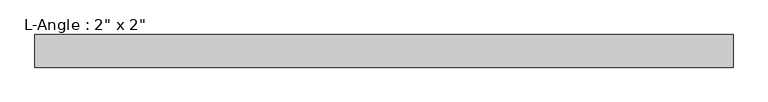
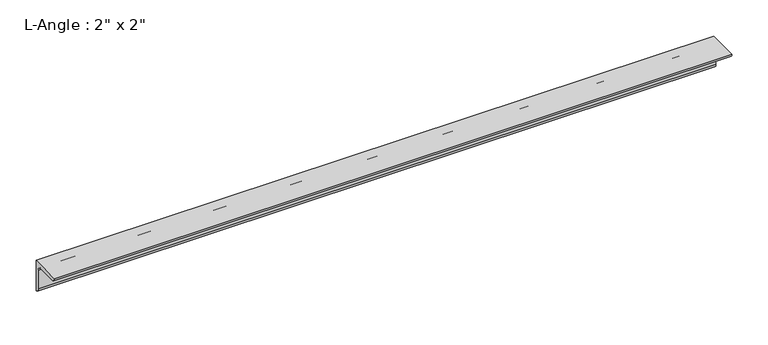
"""IFC4 building model written with IfcOpenShell, lengths in millimetres: beam geometry."""

from ifc_helpers import new_model, si_unit, point, frame, frame_2d, origin, place, context, project, spatial, polyline, circle_curve, trimmed, segment, composite_curve, outline, extrude, source, transform, mapped, element, save


def beam_96d5a968(model_context):
    return source(origin(), model_context, "Body", "SweptSolid", [
        extrude(outline(composite_curve([segment(polyline([(0.0, 0.0), (0.0, -50.8)]), True, "CONTINUOUS"), segment(trimmed(circle_curve(frame_2d((0.0, -44.45)), 6.35), [point((0.0, -50.8))], [point((-6.35, -44.45))], False, "CARTESIAN"), True, "CONTINUOUS"), segment(polyline([(-6.35, -44.45), (-6.35, -12.7)]), True, "CONTINUOUS"), segment(trimmed(circle_curve(frame_2d((-12.7, -12.7)), 6.35), [point((-6.35, -12.7))], [point((-12.7, -6.35))], True, "CARTESIAN"), True, "CONTINUOUS"), segment(polyline([(-12.7, -6.35), (-44.45, -6.35)]), True, "CONTINUOUS"), segment(trimmed(circle_curve(frame_2d((-44.45, 0.0)), 6.35), [point((-44.45, -6.35))], [point((-50.8, 0.0))], False, "CARTESIAN"), True, "CONTINUOUS"), segment(polyline([(-50.8, 0.0), (0.0, 0.0)]), True, "CONTINUOUS")], self_intersect=False)), frame((-543.3690925, 0.0, 0.0), z_axis=(1.0, 0.0, 0.0), x_axis=(0.0, 1.0, 0.0)), (0.0, 0.0, 1.0), 1086.738185),
    ])


if __name__ == "__main__":
    model = new_model("IFC4")
    model_context = context("Model", 3, world=origin())
    ifc_project = project(units=[si_unit("LENGTHUNIT", "METRE", prefix="MILLI")], contexts=[model_context])
    site = spatial("IfcSite", under=ifc_project)
    building = spatial("IfcBuilding", under=site)
    placement = place(None, origin())
    beam_shape = beam_96d5a968(model_context)
    element("IfcBeam", 1, ObjectType="L-Angle : 2\" x 2\"", at=placement, inside=building, context=model_context, shape_type="MappedRepresentation", body=[
        mapped(beam_shape, transform((0.0, 0.0, 0.0), x_axis=(1.0, 0.0, 0.0), y_axis=(0.0, 1.0, 0.0), z_axis=(0.0, 0.0, 1.0))),
    ])
    save(model, "model.ifc")
